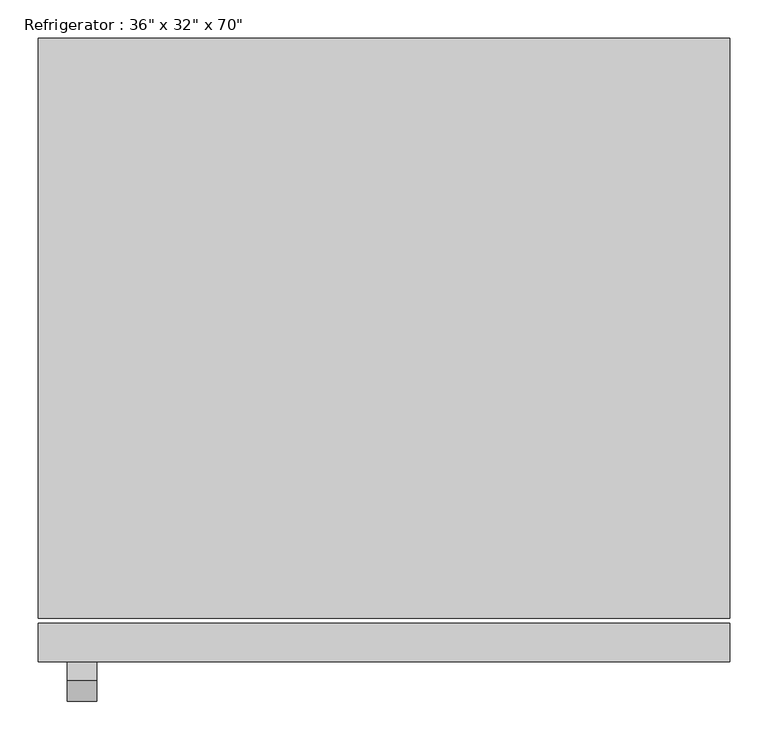
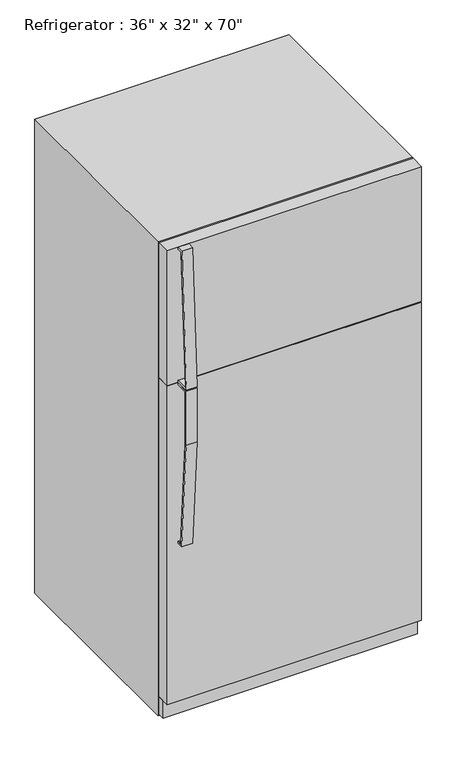
"""IFC4 building model written with IfcOpenShell, lengths in millimetres: proxy geometry."""

import ifcopenshell
import ifcopenshell.guid

model = None  # the IFC model being written
_history = None  # IfcOwnerHistory: only IFC2X3 demands one
_inside = {}  # id of a spatial element -> (the spatial element, [elements in it])
_under = {}  # id of a project, library or spatial element -> (it, [spatial elements below it])
_declared = {}  # id of a project -> (the project, [libraries it declares])
_typed = {}  # id of a type object -> (the type object, [elements of that type])
_made_of = {}  # id of a material, layer set ... -> (it, [elements and type objects made of it])


def new_model(schema):
    """Start an empty IFC model of exactly this schema.

    Asked for "IFC4X3", IfcOpenShell would pick the latest addendum, in which some entities
    have other attributes; the version numbers below select the first issue.
    IFC2X3 requires an IfcOwnerHistory on every rooted entity: one is made here for all.
    """
    global model, _history
    if schema == "IFC4X3":
        model = ifcopenshell.file(schema_version=(4, 3, 0, 0))
    else:
        model = ifcopenshell.file(schema=schema)
    _inside.clear()
    _under.clear()
    _declared.clear()
    _typed.clear()
    _made_of.clear()
    _history = None
    if model.schema == "IFC2X3":
        org = make("IfcOrganization", Name="unknown")
        user = make(
            "IfcPersonAndOrganization",
            ThePerson=make("IfcPerson", FamilyName="unknown"),
            TheOrganization=org,
        )
        app = make(
            "IfcApplication",
            ApplicationDeveloper=org,
            Version="unknown",
            ApplicationFullName="unknown",
            ApplicationIdentifier="unknown",
        )
        _history = make(
            "IfcOwnerHistory",
            OwningUser=user,
            OwningApplication=app,
            ChangeAction="ADDED",
            CreationDate=0,
        )
    return model


def make(cls, **values):
    """One entity of the class cls with the attributes given. An attribute that is None is left unset."""
    return model.create_entity(
        cls, **{name: value for name, value in values.items() if value is not None}
    )


def rooted(cls, **values):
    """An entity with a GlobalId (a new one), such as an element, a storey or a relation."""
    return make(cls, GlobalId=ifcopenshell.guid.new(), OwnerHistory=_history, **values)


def si_unit(unit_type, name, prefix=None):
    """IfcSIUnit, for example si_unit("LENGTHUNIT", "METRE", prefix="MILLI")."""
    return make("IfcSIUnit", UnitType=unit_type, Prefix=prefix, Name=name)


def assignment(units):
    """IfcUnitAssignment: the units of a project."""
    return None if units is None else make("IfcUnitAssignment", Units=units)


def point(xyz):
    """IfcCartesianPoint."""
    return None if xyz is None else make("IfcCartesianPoint", Coordinates=xyz)


def direction(xyz):
    """IfcDirection."""
    return None if xyz is None else make("IfcDirection", DirectionRatios=xyz)


def frame(location, z_axis=None, x_axis=None):
    """IfcAxis2Placement3D, a coordinate frame: its origin and axes. An axis left out is left unset."""
    return make(
        "IfcAxis2Placement3D",
        Location=point(location),
        Axis=direction(z_axis),
        RefDirection=direction(x_axis),
    )


def origin():
    """The frame at (0, 0, 0) with its axes left unset."""
    return frame((0.0, 0.0, 0.0))


def origin_with_axes():
    """The frame at (0, 0, 0) with the z axis (0, 0, 1) and the x axis (1, 0, 0) written out."""
    return frame((0.0, 0.0, 0.0), z_axis=(0.0, 0.0, 1.0), x_axis=(1.0, 0.0, 0.0))


def place(relative_to, where):
    """IfcLocalPlacement: puts the frame where relative to a parent placement (None: the world)."""
    return make(
        "IfcLocalPlacement", PlacementRelTo=relative_to, RelativePlacement=where
    )


def context(
    kind, dimensions, precision=None, world=None, true_north=None, identifier=None
):
    """IfcGeometricRepresentationContext, for example the 3D "Model" context."""
    return make(
        "IfcGeometricRepresentationContext",
        ContextIdentifier=identifier,
        ContextType=kind,
        CoordinateSpaceDimension=dimensions,
        Precision=precision,
        WorldCoordinateSystem=world,
        TrueNorth=true_north,
    )


def project(units=None, contexts=None):
    """IfcProject with its units and contexts."""
    return rooted(
        "IfcProject",
        Name="project",
        RepresentationContexts=contexts,
        UnitsInContext=assignment(units),
    )


def spatial(cls, under=None, at=None, **own):
    """A site, building, storey or space (cls), placed at a placement, below another one or the project."""
    s = rooted(cls, ObjectPlacement=at, **own)
    if under is not None:
        _under.setdefault(under.id(), (under, []))[1].append(s)
    return s


def polyline(points):
    """IfcPolyline through the points."""
    return make("IfcPolyline", Points=[point(p) for p in points])


def outline(outer, holes=None, kind="AREA"):
    """IfcArbitraryClosedProfileDef: a profile drawn as a closed curve; with holes, ...WithVoids."""
    if holes is None:
        return make("IfcArbitraryClosedProfileDef", ProfileType=kind, OuterCurve=outer)
    return make(
        "IfcArbitraryProfileDefWithVoids",
        ProfileType=kind,
        OuterCurve=outer,
        InnerCurves=holes,
    )


def extrude(swept, where, along, depth):
    """IfcExtrudedAreaSolid: the profile swept, set in the frame where, extruded along a direction by depth."""
    return make(
        "IfcExtrudedAreaSolid",
        SweptArea=swept,
        Position=where,
        ExtrudedDirection=direction(along),
        Depth=depth,
    )


def shape(context_of_items, identifier, shape_type, items):
    """IfcShapeRepresentation: the items that make up one representation, for example the "Body"."""
    return make(
        "IfcShapeRepresentation",
        ContextOfItems=context_of_items,
        RepresentationIdentifier=identifier,
        RepresentationType=shape_type,
        Items=items,
    )


def source(mapping_origin, context_of_items, identifier, shape_type, items):
    """IfcRepresentationMap: a shape defined once, which mapped items show again and again."""
    return make(
        "IfcRepresentationMap",
        MappingOrigin=mapping_origin,
        MappedRepresentation=shape(context_of_items, identifier, shape_type, items),
    )


def transform(
    local_origin,
    x_axis=None,
    y_axis=None,
    z_axis=None,
    scale=None,
    scale2=None,
    scale3=None,
    uniform=True,
):
    """IfcCartesianTransformationOperator3D, or its non-uniform kind. x_axis, y_axis, z_axis: its Axis1, 2, 3."""
    if uniform:
        return make(
            "IfcCartesianTransformationOperator3D",
            Axis1=direction(x_axis),
            Axis2=direction(y_axis),
            LocalOrigin=point(local_origin),
            Scale=scale,
            Axis3=direction(z_axis),
        )
    return make(
        "IfcCartesianTransformationOperator3DnonUniform",
        Axis1=direction(x_axis),
        Axis2=direction(y_axis),
        LocalOrigin=point(local_origin),
        Scale=scale,
        Axis3=direction(z_axis),
        Scale2=scale2,
        Scale3=scale3,
    )


def mapped(mapping_source, mapping_target):
    """IfcMappedItem: shows the shape of a source again, moved by a transform."""
    return make(
        "IfcMappedItem", MappingSource=mapping_source, MappingTarget=mapping_target
    )


def made_of(thing, what):
    """Note that an element or type object is made of a material, layer set ...; save() writes the relation."""
    if what is not None:
        _made_of.setdefault(what.id(), (what, []))[1].append(thing)
    return thing


def element(
    cls,
    number,
    at=None,
    inside=None,
    cuts=None,
    type_object=None,
    material=None,
    context=None,
    identifier="Body",
    shape_type=None,
    held_by="IfcProductDefinitionShape",
    body=None,
    shapes=None,
    **own,
):
    """One element of the class cls, such as IfcWall. Its Tag is "e" and its number.

    at: its placement. inside: the storey or other place that contains it. cuts: it is an
    opening in that element (IfcRelVoidsElement). A single representation is given by context,
    identifier, shape_type and body (its items); several are given by shapes. held_by: the class
    of the entity that holds the representations. save() writes the other relations.
    """
    e = rooted(cls, Tag="e%d" % number, ObjectPlacement=at, **own)
    if body is not None:
        shapes = [shape(context, identifier, shape_type, body)]
    if shapes is not None:
        e.Representation = make(held_by, Representations=shapes)
    if inside is not None:
        _inside.setdefault(inside.id(), (inside, []))[1].append(e)
    if cuts is not None:
        rooted(
            "IfcRelVoidsElement", RelatingBuildingElement=cuts, RelatedOpeningElement=e
        )
    if type_object is not None:
        _typed.setdefault(type_object.id(), (type_object, []))[1].append(e)
    return made_of(e, material)


def aggregate(whole, parts):
    """IfcRelAggregates: a whole, such as a stair, and the parts it consists of."""
    return rooted("IfcRelAggregates", RelatingObject=whole, RelatedObjects=parts)


def save(model, path):
    """Write the relations noted so far, then the file.

    IfcRelAggregates (storeys below a building ...), IfcRelContainedInSpatialStructure (elements
    in a storey), IfcRelDefinesByType, IfcRelAssociatesMaterial and IfcRelDeclares: one each for
    every whole, place, type object, material and project.
    """
    for whole, parts in _under.values():
        aggregate(whole, parts)
    for where, things in _inside.values():
        rooted(
            "IfcRelContainedInSpatialStructure",
            RelatedElements=things,
            RelatingStructure=where,
        )
    for kind, things in _typed.values():
        rooted("IfcRelDefinesByType", RelatedObjects=things, RelatingType=kind)
    for what, things in _made_of.values():
        rooted("IfcRelAssociatesMaterial", RelatedObjects=things, RelatingMaterial=what)
    for by, libraries in _declared.values():
        rooted("IfcRelDeclares", RelatingContext=by, RelatedDefinitions=libraries)
    model.write(path)


def proxy_688520ef(model_context):
    return source(origin(), model_context, "Body", "SweptSolid", [
        extrude(outline(polyline([(-422.6635285, 1265.2375), (-467.1135285, 1265.2375), (-467.1135285, 1068.6092469), (-439.6348987, 675.6465334), (-422.6635285, 675.6465334), (-422.6635285, 669.3120017), (-445.5574512, 669.3120017), (-473.4635285, 1068.3875), (-473.4635285, 1271.5875), (-422.6635285, 1271.5875), (-422.6635285, 1265.2375)])), frame((-414.3375, 0.0, 0.0), z_axis=(1.0, 0.0, 0.0), x_axis=(0.0, 1.0, 0.0)), (0.0, 0.0, 1.0), 38.4332978),
        extrude(outline(polyline([(-447.501913, 1781.175), (-423.4405855, 1781.175), (-423.4405855, 1774.825), (-442.2888449, 1774.825), (-468.1632207, 1281.1125), (-423.4405855, 1281.1125), (-423.4405855, 1274.7625), (-474.0418675, 1274.7625), (-447.501913, 1781.175)])), frame((-414.3375, 0.0, 0.0), z_axis=(1.0, 0.0, 0.0), x_axis=(0.0, 1.0, 0.0)), (0.0, 0.0, 1.0), 38.4332978),
        extrude(outline(polyline([(452.4375, -371.8635285), (452.4375, -397.2635285), (-452.4375, -397.2635285), (-452.4375, -371.8635285), (452.4375, -371.8635285)])), frame((0.0, 0.0, 9.3816357), z_axis=(0.0, 0.0, 1.0), x_axis=(1.0, 0.0, 0.0)), (0.0, 0.0, 1.0), 63.5),
        extrude(outline(polyline([(452.4375, -371.8635285), (452.4375, -422.6635285), (-452.4375, -422.6635285), (-452.4375, -371.8635285), (452.4375, -371.8635285)])), frame((0.0, 0.0, 76.2), z_axis=(0.0, 0.0, 1.0), x_axis=(1.0, 0.0, 0.0)), (0.0, 0.0, 1.0), 1195.3875),
        extrude(outline(polyline([(452.4375, -371.8635285), (452.4375, -422.6635285), (-452.4375, -422.6635285), (-452.4375, -371.8635285), (452.4375, -371.8635285)])), frame((0.0, 0.0, 1274.7625), z_axis=(0.0, 0.0, 1.0), x_axis=(1.0, 0.0, 0.0)), (0.0, 0.0, 1.0), 506.4125),
        extrude(outline(polyline([(452.4375, 393.3114715), (452.4375, -365.5135285), (-452.4375, -365.5135285), (-452.4375, 393.3114715), (452.4375, 393.3114715)])), origin_with_axes(), (0.0, 0.0, 1.0), 1781.175),
    ])


if __name__ == "__main__":
    model = new_model("IFC4")
    model_context = context("Model", 3, world=origin())
    ifc_project = project(units=[si_unit("LENGTHUNIT", "METRE", prefix="MILLI")], contexts=[model_context])
    site = spatial("IfcSite", under=ifc_project)
    building = spatial("IfcBuilding", under=site)
    placement = place(None, origin())
    proxy_shape = proxy_688520ef(model_context)
    element("IfcBuildingElementProxy", 1, Name="Refrigerator : 36\" x 32\" x 70\"", ObjectType="Refrigerator : 36\" x 32\" x 70\"", at=placement, inside=building, context=model_context, shape_type="MappedRepresentation", body=[
        mapped(proxy_shape, transform((0.0, 0.0, 0.0), x_axis=(1.0, 0.0, 0.0), y_axis=(0.0, 1.0, 0.0), z_axis=(0.0, 0.0, 1.0))),
    ])
    save(model, "model.ifc")
